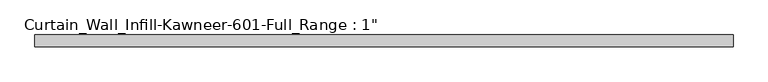
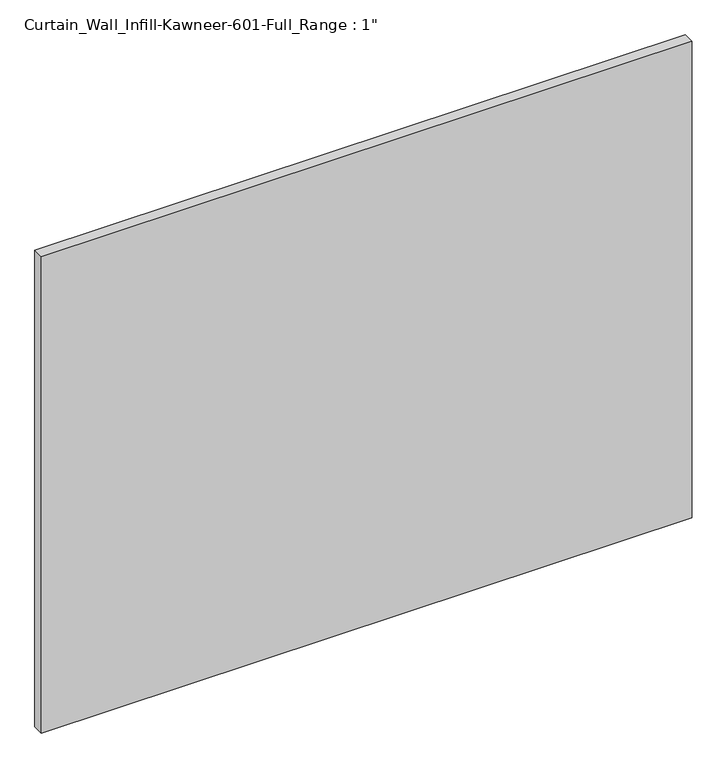
"""IFC4 building model written with IfcOpenShell, lengths in millimetres: plate geometry."""

from ifc_helpers import new_model, si_unit, origin, origin_with_axes, place, context, project, spatial, polyline, outline, extrude, source, transform, mapped, element, save


def plate_3656f88d(model_context):
    return source(origin(), model_context, "Body", "SweptSolid", [
        extrude(outline(polyline([(-742.95, 12.7), (742.95, 12.7), (742.95, -12.7), (-742.95, -12.7), (-742.95, 12.7)])), origin_with_axes(), (0.0, 0.0, 1.0), 1149.35),
    ])


if __name__ == "__main__":
    model = new_model("IFC4")
    model_context = context("Model", 3, world=origin())
    ifc_project = project(units=[si_unit("LENGTHUNIT", "METRE", prefix="MILLI")], contexts=[model_context])
    site = spatial("IfcSite", under=ifc_project)
    building = spatial("IfcBuilding", under=site)
    placement = place(None, origin())
    plate_shape = plate_3656f88d(model_context)
    element("IfcPlate", 1, ObjectType="Curtain_Wall_Infill-Kawneer-601-Full_Range : 1\"", at=placement, inside=building, context=model_context, shape_type="MappedRepresentation", body=[
        mapped(plate_shape, transform((0.0, 0.0, 0.0), x_axis=(1.0, 0.0, 0.0), y_axis=(0.0, 1.0, 0.0), z_axis=(0.0, 0.0, 1.0))),
    ])
    save(model, "model.ifc")
